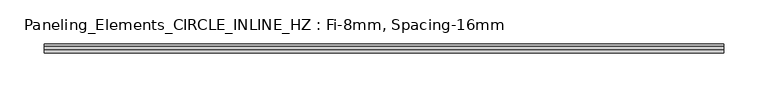
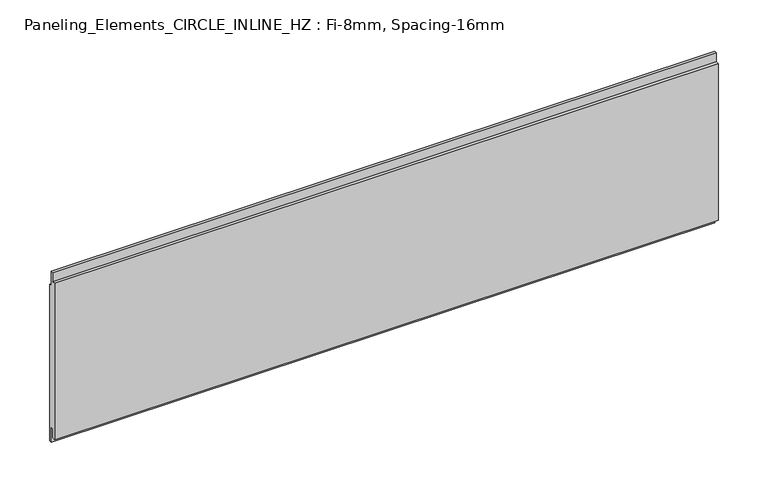
"""IFC4 building model written with IfcOpenShell, lengths in millimetres: plate geometry, Paneling_Elements_CIRCLE_INLINE_HZ : Fi-8mm, Spacing-16mm."""

from ifc_helpers import new_model, si_unit, frame, origin, place, context, project, spatial, polyline, outline, extrude, source, transform, mapped, element, save


def paneling_elements_circle_inline_hz_fi_8mm_spacing_16mm_95aaf06d(model_context):
    return source(origin(), model_context, "Body", "SweptSolid", [
        extrude(outline(polyline([(-1.0, 202.3), (2.0, 202.3), (2.0, 184.3), (5.0, 184.3), (5.0, -7.0), (2.0, -7.0), (2.0, 11.0), (-1.0, 11.0), (-1.0, 0.0), (-5.0, 0.0), (-5.0, 191.3), (-1.0, 191.3), (-1.0, 202.3)])), frame((-383.4, 0.0, 0.0), z_axis=(1.0, 0.0, 0.0), x_axis=(0.0, 1.0, 0.0)), (0.0, 0.0, 1.0), 766.8),
    ])


if __name__ == "__main__":
    model = new_model("IFC4")
    model_context = context("Model", 3, world=origin())
    ifc_project = project(units=[si_unit("LENGTHUNIT", "METRE", prefix="MILLI")], contexts=[model_context])
    site = spatial("IfcSite", under=ifc_project)
    building = spatial("IfcBuilding", under=site)
    placement = place(None, origin())
    paneling_elements_circle_inline_hz_fi_8mm_spacing_16mm_shape = paneling_elements_circle_inline_hz_fi_8mm_spacing_16mm_95aaf06d(model_context)
    element("IfcPlate", 1, ObjectType="Paneling_Elements_CIRCLE_INLINE_HZ : Fi-8mm, Spacing-16mm", at=placement, inside=building, context=model_context, shape_type="MappedRepresentation", body=[
        mapped(paneling_elements_circle_inline_hz_fi_8mm_spacing_16mm_shape, transform((0.0, 0.0, 0.0), x_axis=(1.0, 0.0, 0.0), y_axis=(0.0, 1.0, 0.0), z_axis=(0.0, 0.0, 1.0))),
    ])
    save(model, "model.ifc")
